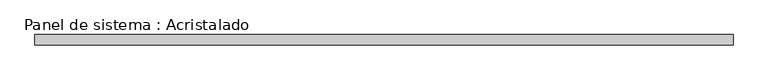
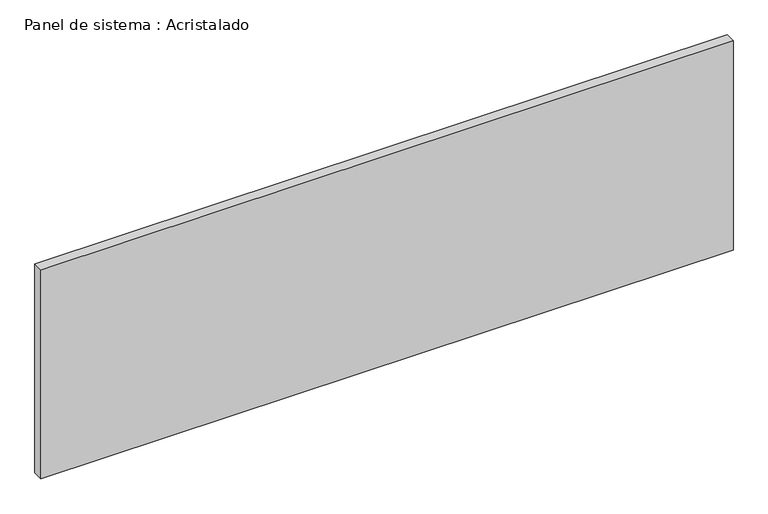
"""IFC4 building model written with IfcOpenShell, lengths in millimetres: plate geometry, Panel de sistema : Acristalado."""

from ifc_helpers import new_model, si_unit, origin, origin_with_axes, place, context, project, spatial, polyline, outline, extrude, source, transform, mapped, element, save


def panel_de_sistema_acristalado_8fbfc692(model_context):
    return source(origin(), model_context, "Body", "SweptSolid", [
        extrude(outline(polyline([(671.1786508, -10.0), (-671.1786508, -10.0), (-671.1786508, 10.0), (671.1786508, 10.0), (671.1786508, -10.0)])), origin_with_axes(), (0.0, 0.0, 1.0), 429.0),
    ])


if __name__ == "__main__":
    model = new_model("IFC4")
    model_context = context("Model", 3, world=origin())
    ifc_project = project(units=[si_unit("LENGTHUNIT", "METRE", prefix="MILLI")], contexts=[model_context])
    site = spatial("IfcSite", under=ifc_project)
    building = spatial("IfcBuilding", under=site)
    placement = place(None, origin())
    panel_de_sistema_acristalado_shape = panel_de_sistema_acristalado_8fbfc692(model_context)
    element("IfcPlate", 1, ObjectType="Panel de sistema : Acristalado", at=placement, inside=building, context=model_context, shape_type="MappedRepresentation", body=[
        mapped(panel_de_sistema_acristalado_shape, transform((0.0, 0.0, 0.0), x_axis=(1.0, 0.0, 0.0), y_axis=(0.0, 1.0, 0.0), z_axis=(0.0, 0.0, 1.0))),
    ])
    save(model, "model.ifc")
